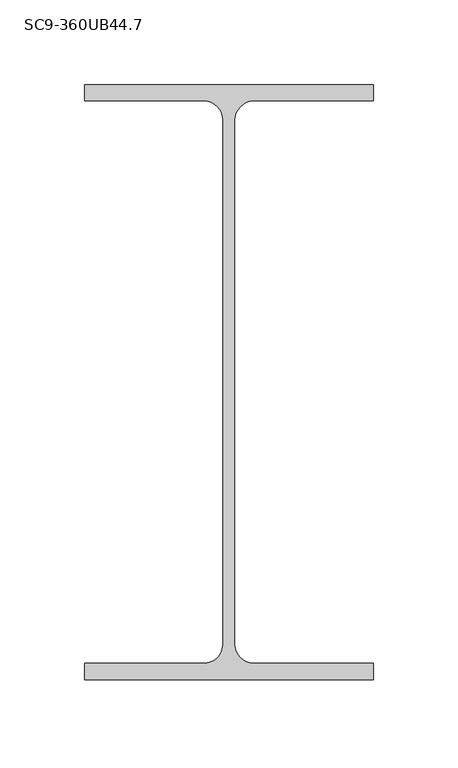
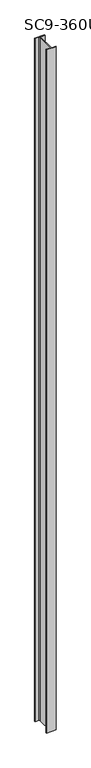
"""IFC4 building model written with IfcOpenShell, lengths in millimetres: column geometry, SC9-360UB44.7."""

from ifc_helpers import new_model, si_unit, point, frame, frame_2d, origin, place, context, project, spatial, polyline, circle_curve, trimmed, segment, composite_curve, outline, extrude, source, transform, mapped, element, save


def sc9_360ub44_7_50f8145f(model_context):
    return source(origin(), model_context, "Body", "SweptSolid", [
        extrude(outline(composite_curve([segment(polyline([(85.5, 176.0), (85.5, 166.3), (14.85, 166.3)]), True, "CONTINUOUS"), segment(trimmed(circle_curve(frame_2d((14.85, 154.9)), 11.4), [point((14.85, 166.3))], [point((3.45, 154.9))], True, "CARTESIAN"), True, "CONTINUOUS"), segment(polyline([(3.45, 154.9), (3.45, -154.9)]), True, "CONTINUOUS"), segment(trimmed(circle_curve(frame_2d((14.85, -154.9)), 11.4), [point((3.45, -154.9))], [point((14.85, -166.3))], True, "CARTESIAN"), True, "CONTINUOUS"), segment(polyline([(14.85, -166.3), (85.5, -166.3), (85.5, -176.0), (-85.5, -176.0), (-85.5, -166.3), (-14.85, -166.3)]), True, "CONTINUOUS"), segment(trimmed(circle_curve(frame_2d((-14.85, -154.9)), 11.4), [point((-14.85, -166.3))], [point((-3.45, -154.9))], True, "CARTESIAN"), True, "CONTINUOUS"), segment(polyline([(-3.45, -154.9), (-3.45, 154.9)]), True, "CONTINUOUS"), segment(trimmed(circle_curve(frame_2d((-14.85, 154.9)), 11.4), [point((-3.45, 154.9))], [point((-14.85, 166.3))], True, "CARTESIAN"), True, "CONTINUOUS"), segment(polyline([(-14.85, 166.3), (-85.5, 166.3), (-85.5, 176.0), (85.5, 176.0)]), True, "CONTINUOUS")], self_intersect=False)), frame((0.0, 0.0, 46800.0), z_axis=(0.0, 0.0, 1.0), x_axis=(1.0, 0.0, 0.0)), (0.0, 0.0, 1.0), 12524.0),
    ])


if __name__ == "__main__":
    model = new_model("IFC4")
    model_context = context("Model", 3, world=origin())
    ifc_project = project(units=[si_unit("LENGTHUNIT", "METRE", prefix="MILLI")], contexts=[model_context])
    site = spatial("IfcSite", under=ifc_project)
    building = spatial("IfcBuilding", under=site)
    placement = place(None, origin())
    sc9_360ub44_7_shape = sc9_360ub44_7_50f8145f(model_context)
    element("IfcColumn", 1, ObjectType="SC9-360UB44.7", at=placement, inside=building, context=model_context, shape_type="MappedRepresentation", body=[
        mapped(sc9_360ub44_7_shape, transform((0.0, 0.0, 0.0), x_axis=(1.0, 0.0, 0.0), y_axis=(0.0, 1.0, 0.0), z_axis=(0.0, 0.0, 1.0))),
    ])
    save(model, "model.ifc")
